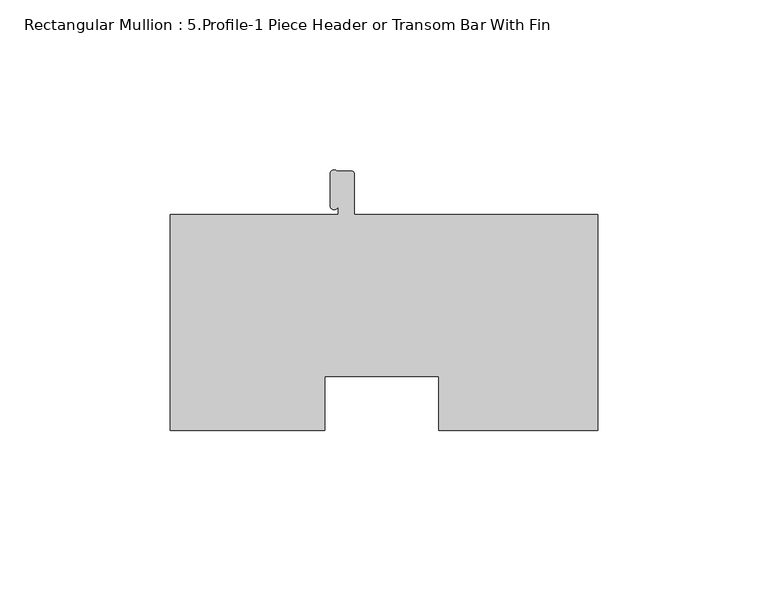
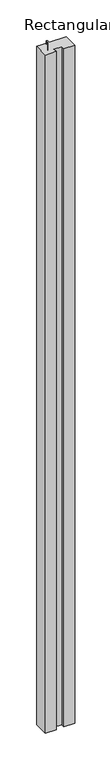
"""IFC4 building model written with IfcOpenShell, lengths in millimetres: member geometry, Rectangular Mullion : 5.Profile-1 Piece Header or Transom Bar With Fin."""

from ifc_helpers import new_model, si_unit, point, frame, frame_2d, origin, place, context, project, spatial, polyline, circle_curve, trimmed, segment, composite_curve, outline, extrude, source, transform, mapped, element, save


def rectangular_mullion_5_profile_1_piece_header_or_transom_bar_d5f7da89(model_context):
    return source(origin(), model_context, "Body", "SweptSolid", [
        extrude(outline(composite_curve([segment(polyline([(-125.7808, -31.75), (-125.7808, 31.75), (-76.3778, 31.75), (-76.3778, 34.2826042)]), True, "CONTINUOUS"), segment(trimmed(circle_curve(frame_2d((-77.571346, 34.3072291)), 1.1938), [point((-76.3778, 34.2826042))], [point((-78.765146, 34.3072291))], False, "CARTESIAN"), True, "CONTINUOUS"), segment(polyline([(-78.765146, 34.3072291), (-78.765146, 43.6325845)]), True, "CONTINUOUS"), segment(trimmed(circle_curve(frame_2d((-77.571346, 43.6325845)), 1.1938), [point((-78.765146, 43.6325845))], [point((-76.7012941, 44.45))], False, "CARTESIAN"), True, "CONTINUOUS"), segment(polyline([(-76.7012941, 44.45), (-72.39, 44.45)]), True, "CONTINUOUS"), segment(trimmed(circle_curve(frame_2d((-72.39, 43.6626)), 0.7874), [point((-72.39, 44.45))], [point((-71.6026, 43.6626))], False, "CARTESIAN"), True, "CONTINUOUS"), segment(polyline([(-71.6026, 43.6626), (-71.6026, 31.75), (0.0, 31.75), (0.0, -31.75), (-46.8503, -31.75), (-46.8503, -15.8624762), (-80.2361209, -15.8624762), (-80.2361209, -31.75), (-125.7808, -31.75)]), True, "CONTINUOUS")], self_intersect=False)), frame((0.0, 0.0, -3048.0), z_axis=(0.0, 0.0, 1.0), x_axis=(1.0, 0.0, 0.0)), (0.0, 0.0, 1.0), 3048.0),
    ])


if __name__ == "__main__":
    model = new_model("IFC4")
    model_context = context("Model", 3, world=origin())
    ifc_project = project(units=[si_unit("LENGTHUNIT", "METRE", prefix="MILLI")], contexts=[model_context])
    site = spatial("IfcSite", under=ifc_project)
    building = spatial("IfcBuilding", under=site)
    placement = place(None, origin())
    rectangular_mullion_5_profile_1_piece_header_or_transom_bar_shape = rectangular_mullion_5_profile_1_piece_header_or_transom_bar_d5f7da89(model_context)
    element("IfcMember", 1, ObjectType="Rectangular Mullion : 5.Profile-1 Piece Header or Transom Bar With Fin", at=placement, inside=building, context=model_context, shape_type="MappedRepresentation", body=[
        mapped(rectangular_mullion_5_profile_1_piece_header_or_transom_bar_shape, transform((0.0, 0.0, 0.0), x_axis=(1.0, 0.0, 0.0), y_axis=(0.0, 1.0, 0.0), z_axis=(0.0, 0.0, 1.0))),
    ])
    save(model, "model.ifc")
